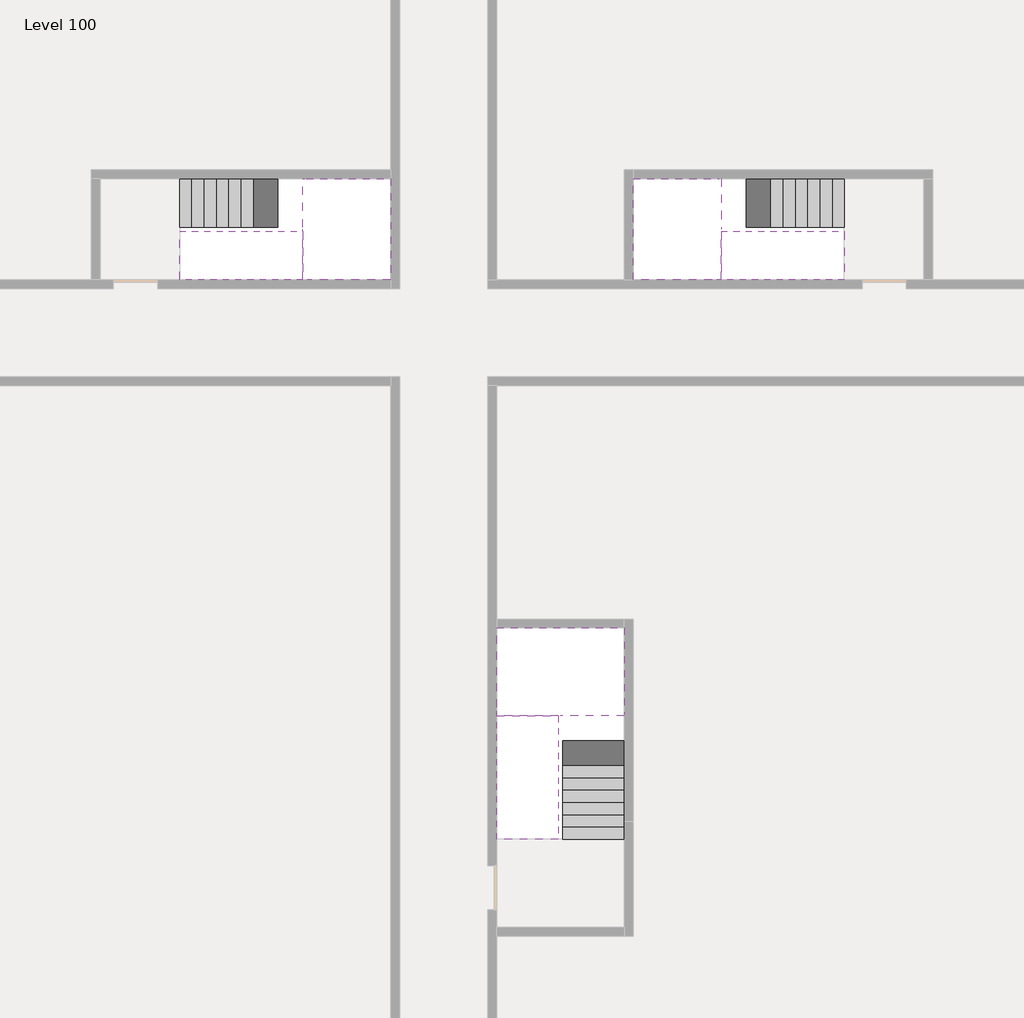
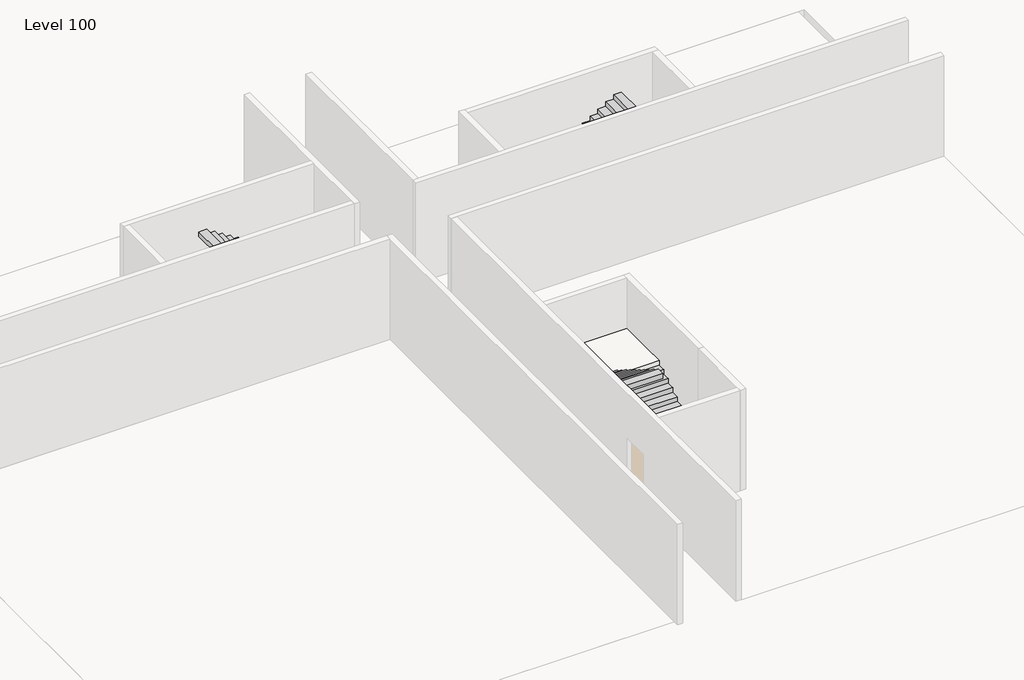
# One storey, part 2 of 2: 6 stair flights, 3 slabs.
"""IFC4 building model written with IfcOpenShell, lengths in millimetres."""

import ifcopenshell
import ifcopenshell.guid

model = None  # the IFC model being written
_history = None  # IfcOwnerHistory: only IFC2X3 demands one
_inside = {}  # id of a spatial element -> (the spatial element, [elements in it])
_under = {}  # id of a project, library or spatial element -> (it, [spatial elements below it])
_declared = {}  # id of a project -> (the project, [libraries it declares])
_typed = {}  # id of a type object -> (the type object, [elements of that type])
_made_of = {}  # id of a material, layer set ... -> (it, [elements and type objects made of it])


def new_model(schema):
    """Start an empty IFC model of exactly this schema.

    Asked for "IFC4X3", IfcOpenShell would pick the latest addendum, in which some entities
    have other attributes; the version numbers below select the first issue.
    IFC2X3 requires an IfcOwnerHistory on every rooted entity: one is made here for all.
    """
    global model, _history
    if schema == "IFC4X3":
        model = ifcopenshell.file(schema_version=(4, 3, 0, 0))
    else:
        model = ifcopenshell.file(schema=schema)
    _inside.clear()
    _under.clear()
    _declared.clear()
    _typed.clear()
    _made_of.clear()
    _history = None
    if model.schema == "IFC2X3":
        org = make("IfcOrganization", Name="unknown")
        user = make(
            "IfcPersonAndOrganization",
            ThePerson=make("IfcPerson", FamilyName="unknown"),
            TheOrganization=org,
        )
        app = make(
            "IfcApplication",
            ApplicationDeveloper=org,
            Version="unknown",
            ApplicationFullName="unknown",
            ApplicationIdentifier="unknown",
        )
        _history = make(
            "IfcOwnerHistory",
            OwningUser=user,
            OwningApplication=app,
            ChangeAction="ADDED",
            CreationDate=0,
        )
    return model


def make(cls, **values):
    """One entity of the class cls with the attributes given. An attribute that is None is left unset."""
    return model.create_entity(
        cls, **{name: value for name, value in values.items() if value is not None}
    )


def rooted(cls, **values):
    """An entity with a GlobalId (a new one), such as an element, a storey or a relation."""
    return make(cls, GlobalId=ifcopenshell.guid.new(), OwnerHistory=_history, **values)


def si_unit(unit_type, name, prefix=None):
    """IfcSIUnit, for example si_unit("LENGTHUNIT", "METRE", prefix="MILLI")."""
    return make("IfcSIUnit", UnitType=unit_type, Prefix=prefix, Name=name)


def assignment(units):
    """IfcUnitAssignment: the units of a project."""
    return None if units is None else make("IfcUnitAssignment", Units=units)


def point(xyz):
    """IfcCartesianPoint."""
    return None if xyz is None else make("IfcCartesianPoint", Coordinates=xyz)


def direction(xyz):
    """IfcDirection."""
    return None if xyz is None else make("IfcDirection", DirectionRatios=xyz)


def frame(location, z_axis=None, x_axis=None):
    """IfcAxis2Placement3D, a coordinate frame: its origin and axes. An axis left out is left unset."""
    return make(
        "IfcAxis2Placement3D",
        Location=point(location),
        Axis=direction(z_axis),
        RefDirection=direction(x_axis),
    )


def origin():
    """The frame at (0, 0, 0) with its axes left unset."""
    return frame((0.0, 0.0, 0.0))


def place(relative_to, where):
    """IfcLocalPlacement: puts the frame where relative to a parent placement (None: the world)."""
    return make(
        "IfcLocalPlacement", PlacementRelTo=relative_to, RelativePlacement=where
    )


def context(
    kind, dimensions, precision=None, world=None, true_north=None, identifier=None
):
    """IfcGeometricRepresentationContext, for example the 3D "Model" context."""
    return make(
        "IfcGeometricRepresentationContext",
        ContextIdentifier=identifier,
        ContextType=kind,
        CoordinateSpaceDimension=dimensions,
        Precision=precision,
        WorldCoordinateSystem=world,
        TrueNorth=true_north,
    )


def project(units=None, contexts=None):
    """IfcProject with its units and contexts."""
    return rooted(
        "IfcProject",
        Name="project",
        RepresentationContexts=contexts,
        UnitsInContext=assignment(units),
    )


def spatial(cls, under=None, at=None, **own):
    """A site, building, storey or space (cls), placed at a placement, below another one or the project."""
    s = rooted(cls, ObjectPlacement=at, **own)
    if under is not None:
        _under.setdefault(under.id(), (under, []))[1].append(s)
    return s


def faces_of(points, faces, orient=None, outer=None):
    """IfcFace entities. A face is a list of loops; a loop is a list of indices into points, from 0.

    orient and outer hold one flag for each loop. By default every Orientation is true, the
    first loop of a face is its IfcFaceOuterBound and the others are IfcFaceBound.
    """
    made = []
    for i, loops in enumerate(faces):
        bounds = []
        for j, loop in enumerate(loops):
            is_outer = j == 0 if outer is None else outer[i][j]
            bounds.append(
                make(
                    "IfcFaceOuterBound" if is_outer else "IfcFaceBound",
                    Bound=make("IfcPolyLoop", Polygon=[points[k] for k in loop]),
                    Orientation=True if orient is None else orient[i][j],
                )
            )
        made.append(make("IfcFace", Bounds=bounds))
    return made


def faceted_brep(points, faces, orient=None, outer=None, voids=None):
    """IfcFacetedBrep: a solid bounded by flat faces; with voids (closed shells), ...WithVoids."""
    shared = [point(p) for p in points]
    hull = make("IfcClosedShell", CfsFaces=faces_of(shared, faces, orient, outer))
    if voids is None:
        return make("IfcFacetedBrep", Outer=hull)
    return make(
        "IfcFacetedBrepWithVoids",
        Outer=hull,
        Voids=[
            make(cls, CfsFaces=faces_of(shared, fs, o, b)) for cls, fs, o, b in voids
        ],
    )


def shape(context_of_items, identifier, shape_type, items):
    """IfcShapeRepresentation: the items that make up one representation, for example the "Body"."""
    return make(
        "IfcShapeRepresentation",
        ContextOfItems=context_of_items,
        RepresentationIdentifier=identifier,
        RepresentationType=shape_type,
        Items=items,
    )


def made_of(thing, what):
    """Note that an element or type object is made of a material, layer set ...; save() writes the relation."""
    if what is not None:
        _made_of.setdefault(what.id(), (what, []))[1].append(thing)
    return thing


def element(
    cls,
    number,
    at=None,
    inside=None,
    cuts=None,
    type_object=None,
    material=None,
    context=None,
    identifier="Body",
    shape_type=None,
    held_by="IfcProductDefinitionShape",
    body=None,
    shapes=None,
    **own,
):
    """One element of the class cls, such as IfcWall. Its Tag is "e" and its number.

    at: its placement. inside: the storey or other place that contains it. cuts: it is an
    opening in that element (IfcRelVoidsElement). A single representation is given by context,
    identifier, shape_type and body (its items); several are given by shapes. held_by: the class
    of the entity that holds the representations. save() writes the other relations.
    """
    e = rooted(cls, Tag="e%d" % number, ObjectPlacement=at, **own)
    if body is not None:
        shapes = [shape(context, identifier, shape_type, body)]
    if shapes is not None:
        e.Representation = make(held_by, Representations=shapes)
    if inside is not None:
        _inside.setdefault(inside.id(), (inside, []))[1].append(e)
    if cuts is not None:
        rooted(
            "IfcRelVoidsElement", RelatingBuildingElement=cuts, RelatedOpeningElement=e
        )
    if type_object is not None:
        _typed.setdefault(type_object.id(), (type_object, []))[1].append(e)
    return made_of(e, material)


def aggregate(whole, parts):
    """IfcRelAggregates: a whole, such as a stair, and the parts it consists of."""
    return rooted("IfcRelAggregates", RelatingObject=whole, RelatedObjects=parts)


def save(model, path):
    """Write the relations noted so far, then the file.

    IfcRelAggregates (storeys below a building ...), IfcRelContainedInSpatialStructure (elements
    in a storey), IfcRelDefinesByType, IfcRelAssociatesMaterial and IfcRelDeclares: one each for
    every whole, place, type object, material and project.
    """
    for whole, parts in _under.values():
        aggregate(whole, parts)
    for where, things in _inside.values():
        rooted(
            "IfcRelContainedInSpatialStructure",
            RelatedElements=things,
            RelatingStructure=where,
        )
    for kind, things in _typed.values():
        rooted("IfcRelDefinesByType", RelatedObjects=things, RelatingType=kind)
    for what, things in _made_of.values():
        rooted("IfcRelAssociatesMaterial", RelatedObjects=things, RelatingMaterial=what)
    for by, libraries in _declared.values():
        rooted("IfcRelDeclares", RelatingContext=by, RelatedDefinitions=libraries)
    model.write(path)


model = new_model("IFC4")

# Units and contexts
model_context = context("Model", 3, world=origin())
ifc_project = project(units=[si_unit("LENGTHUNIT", "METRE", prefix="MILLI")], contexts=[model_context])

# Site, building, storey
site = spatial("IfcSite", under=ifc_project)
building = spatial("IfcBuilding", under=site)
storey = spatial("IfcBuildingStorey", under=building, Name="Level 100", Elevation=376200.0)

# Slabs
placement = place(None, origin())
element("IfcSlab", 1, at=placement, inside=storey, context=model_context, shape_type="Brep", body=[
    faceted_brep([(26890.1058784, -40418.09644, 378100.0), (28290.1058784, -40418.09644, 378100.0), (28290.1058784, -40338.7100038, 378100.0), (28290.1058784, -38418.09644, 378100.0), (25390.1058784, -38418.09644, 378100.0), (25390.1058784, -40217.4828763, 378100.0), (25390.1058784, -40418.09644, 378100.0), (26790.1058784, -40418.09644, 378100.0), (26890.1058784, -40418.09644, 377800.0), (26890.1058784, -40418.09644, 377751.0278478), (28290.1058784, -40418.09644, 377751.0278478), (28290.1058784, -40418.09644, 377927.2727273), (28290.1058784, -40338.7100038, 377800.0), (28290.1058784, -38418.09644, 377800.0), (25390.1058784, -38418.09644, 377800.0), (25390.1058784, -40217.4828763, 377800.0), (25390.1058784, -40418.09644, 377923.7551205), (26790.1058784, -40418.09644, 377923.7551205), (26790.1058784, -40418.09644, 377800.0), (26790.1058784, -40217.4828763, 377800.0), (26890.1058784, -40338.7100038, 377800.0)], [[[0, 1, 2, 3, 4, 5, 6, 7]], [[1, 0, 8, 9, 10, 11]], [[1, 11, 10, 12, 13, 3, 2]], [[4, 3, 13, 14]], [[4, 14, 15, 16, 6, 5]], [[7, 6, 16, 17]], [[0, 7, 17, 18, 8]], [[18, 19, 15, 14, 13, 12, 20, 8]], [[19, 18, 17]], [[20, 12, 10, 9]], [[8, 20, 9]], [[15, 19, 17, 16]]]),
])
element("IfcSlab", 2, at=placement, inside=storey, context=model_context, shape_type="Brep", body=[
    faceted_brep([(20990.1058784, -28218.09644, 378100.0), (20990.1058784, -29318.09644, 378100.0), (20990.1058784, -29418.09644, 378100.0), (20990.1058784, -30518.09644, 378100.0), (21190.7194421, -30518.09644, 378100.0), (22990.1058784, -30518.09644, 378100.0), (22990.1058784, -28218.09644, 378100.0), (21069.4923146, -28218.09644, 378100.0), (20990.1058784, -28218.09644, 377927.2727273), (20990.1058784, -28218.09644, 377751.0278478), (20990.1058784, -29318.09644, 377751.0278478), (20990.1058784, -29318.09644, 377800.0), (20990.1058784, -29418.09644, 377800.0), (20990.1058784, -29418.09644, 377923.7551205), (20990.1058784, -30518.09644, 377923.7551205), (21190.7194421, -30518.09644, 377800.0), (22990.1058784, -30518.09644, 377800.0), (22990.1058784, -28218.09644, 377800.0), (21069.4923146, -28218.09644, 377800.0), (21190.7194421, -29418.09644, 377800.0), (21069.4923146, -29318.09644, 377800.0)], [[[0, 1, 2, 3, 4, 5, 6, 7]], [[1, 0, 8, 9, 10, 11]], [[2, 1, 11, 12, 13]], [[3, 2, 13, 14]], [[3, 14, 15, 16, 5, 4]], [[6, 5, 16, 17]], [[9, 8, 0, 7, 6, 17, 18]], [[19, 12, 11, 20, 18, 17, 16, 15]], [[12, 19, 13]], [[18, 20, 10, 9]], [[20, 11, 10]], [[19, 15, 14, 13]]]),
])
element("IfcSlab", 3, at=placement, inside=storey, context=model_context, shape_type="Brep", body=[
    faceted_brep([(30490.1058784, -29318.09644, 378100.0), (30490.1058784, -28218.09644, 378100.0), (30410.7194421, -28218.09644, 378100.0), (28490.1058784, -28218.09644, 378100.0), (28490.1058784, -30518.09644, 378100.0), (30289.4923146, -30518.09644, 378100.0), (30490.1058784, -30518.09644, 378100.0), (30490.1058784, -29418.09644, 378100.0), (30490.1058784, -29318.09644, 377800.0), (30490.1058784, -29318.09644, 377751.0278478), (30490.1058784, -28218.09644, 377751.0278478), (30490.1058784, -28218.09644, 377927.2727273), (30490.1058784, -29418.09644, 377923.7551205), (30490.1058784, -29418.09644, 377800.0), (30490.1058784, -30518.09644, 377923.7551205), (28490.1058784, -30518.09644, 377800.0), (30289.4923146, -30518.09644, 377800.0), (28490.1058784, -28218.09644, 377800.0), (30410.7194421, -28218.09644, 377800.0), (30289.4923146, -29418.09644, 377800.0), (30410.7194421, -29318.09644, 377800.0)], [[[0, 1, 2, 3, 4, 5, 6, 7]], [[1, 0, 8, 9, 10, 11]], [[0, 7, 12, 13, 8]], [[7, 6, 14, 12]], [[4, 15, 16, 14, 6, 5]], [[4, 3, 17, 15]], [[1, 11, 10, 18, 17, 3, 2]], [[13, 19, 16, 15, 17, 18, 20, 8]], [[20, 18, 10, 9]], [[8, 20, 9]], [[16, 19, 12, 14]], [[19, 13, 12]]]),
])

# Stair flights
element("IfcStairFlight", 4, at=placement, inside=storey, context=model_context, shape_type="Brep", body=[
    faceted_brep([(26890.1058784, -42938.09644, 376372.7272727), (26890.1058784, -43218.09644, 376372.7272727), (28290.1058784, -43218.09644, 376372.7272727), (28290.1058784, -42938.09644, 376372.7272727), (26890.1058784, -42938.09644, 376200.0), (26890.1058784, -43218.09644, 376200.0), (28290.1058784, -43218.09644, 376200.0), (28290.1058784, -42938.09644, 376200.0), (26890.1058784, -42658.09644, 376545.4545455), (26890.1058784, -42938.09644, 376545.4545455), (28290.1058784, -42938.09644, 376545.4545455), (28290.1058784, -42658.09644, 376545.4545455), (26890.1058784, -42658.09644, 376369.209666), (26890.1058784, -42932.3942143, 376200.0), (28290.1058784, -42932.3942143, 376200.0), (28290.1058784, -42658.09644, 376369.209666), (26890.1058784, -42378.09644, 376718.1818182), (26890.1058784, -42658.09644, 376718.1818182), (28290.1058784, -42658.09644, 376718.1818182), (28290.1058784, -42378.09644, 376718.1818182), (26890.1058784, -42378.09644, 376541.9369387), (28290.1058784, -42378.09644, 376541.9369387), (26890.1058784, -42098.09644, 376890.9090909), (26890.1058784, -42378.09644, 376890.9090909), (28290.1058784, -42378.09644, 376890.9090909), (28290.1058784, -42098.09644, 376890.9090909), (26890.1058784, -42098.09644, 376714.6642114), (28290.1058784, -42098.09644, 376714.6642114), (26890.1058784, -41818.09644, 377063.6363636), (26890.1058784, -42098.09644, 377063.6363636), (28290.1058784, -42098.09644, 377063.6363636), (28290.1058784, -41818.09644, 377063.6363636), (26890.1058784, -41818.09644, 376887.3914841), (28290.1058784, -41818.09644, 376887.3914841), (26890.1058784, -41538.09644, 377236.3636364), (26890.1058784, -41818.09644, 377236.3636364), (28290.1058784, -41818.09644, 377236.3636364), (28290.1058784, -41538.09644, 377236.3636364), (26890.1058784, -41538.09644, 377060.1187569), (28290.1058784, -41538.09644, 377060.1187569), (26890.1058784, -41258.09644, 377409.0909091), (26890.1058784, -41538.09644, 377409.0909091), (28290.1058784, -41538.09644, 377409.0909091), (28290.1058784, -41258.09644, 377409.0909091), (26890.1058784, -41258.09644, 377232.8460296), (28290.1058784, -41258.09644, 377232.8460296), (26890.1058784, -40978.09644, 377581.8181818), (26890.1058784, -41258.09644, 377581.8181818), (28290.1058784, -41258.09644, 377581.8181818), (28290.1058784, -40978.09644, 377581.8181818), (26890.1058784, -40978.09644, 377405.5733023), (28290.1058784, -40978.09644, 377405.5733023), (26890.1058784, -40698.09644, 377754.5454545), (26890.1058784, -40978.09644, 377754.5454545), (28290.1058784, -40978.09644, 377754.5454545), (28290.1058784, -40698.09644, 377754.5454545), (26890.1058784, -40698.09644, 377578.3005751), (28290.1058784, -40698.09644, 377578.3005751), (26890.1058784, -40418.09644, 377927.2727273), (26890.1058784, -40698.09644, 377927.2727273), (28290.1058784, -40698.09644, 377927.2727273), (28290.1058784, -40418.09644, 377927.2727273), (26890.1058784, -40418.09644, 377800.0), (26890.1058784, -40418.09644, 377751.0278478), (28290.1058784, -40418.09644, 377751.0278478)], [[[0, 1, 2, 3]], [[1, 0, 4, 5]], [[2, 1, 5, 6]], [[3, 2, 6, 7]], [[8, 9, 10, 11]], [[4, 0, 9, 8, 12, 13]], [[0, 3, 10, 9]], [[3, 7, 14, 15, 11, 10]], [[16, 17, 18, 19]], [[17, 16, 20, 12, 8]], [[8, 11, 18, 17]], [[19, 18, 11, 15, 21]], [[22, 23, 24, 25]], [[23, 22, 26, 20, 16]], [[16, 19, 24, 23]], [[25, 24, 19, 21, 27]], [[28, 29, 30, 31]], [[29, 28, 32, 26, 22]], [[22, 25, 30, 29]], [[31, 30, 25, 27, 33]], [[34, 35, 36, 37]], [[35, 34, 38, 32, 28]], [[28, 31, 36, 35]], [[37, 36, 31, 33, 39]], [[40, 41, 42, 43]], [[41, 40, 44, 38, 34]], [[34, 37, 42, 41]], [[43, 42, 37, 39, 45]], [[46, 47, 48, 49]], [[47, 46, 50, 44, 40]], [[40, 43, 48, 47]], [[49, 48, 43, 45, 51]], [[52, 53, 54, 55]], [[53, 52, 56, 50, 46]], [[46, 49, 54, 53]], [[55, 54, 49, 51, 57]], [[58, 59, 60, 61]], [[59, 58, 62, 63, 56, 52]], [[52, 55, 60, 59]], [[61, 60, 55, 57, 64]], [[58, 61, 64, 63, 62]], [[5, 4, 13, 14, 7, 6]], [[14, 13, 12, 20, 26, 32, 38, 44, 50, 56, 63, 64, 57, 51, 45, 39, 33, 27, 21, 15]]]),
])
element("IfcStairFlight", 5, at=placement, inside=storey, context=model_context, shape_type="Brep", body=[
    faceted_brep([(26790.1058784, -40698.09644, 378272.7272727), (26790.1058784, -40418.09644, 378272.7272727), (25390.1058784, -40418.09644, 378272.7272727), (25390.1058784, -40698.09644, 378272.7272727), (26790.1058784, -40698.09644, 378096.4823932), (26790.1058784, -40418.09644, 377923.7551205), (25390.1058784, -40418.09644, 377923.7551205), (25390.1058784, -40418.09644, 378100.0), (25390.1058784, -40698.09644, 378096.4823932), (26790.1058784, -40978.09644, 378445.4545455), (26790.1058784, -40698.09644, 378445.4545455), (25390.1058784, -40698.09644, 378445.4545455), (25390.1058784, -40978.09644, 378445.4545455), (26790.1058784, -40978.09644, 378269.209666), (25390.1058784, -40978.09644, 378269.209666), (26790.1058784, -41258.09644, 378618.1818182), (26790.1058784, -40978.09644, 378618.1818182), (25390.1058784, -40978.09644, 378618.1818182), (25390.1058784, -41258.09644, 378618.1818182), (26790.1058784, -41258.09644, 378441.9369387), (25390.1058784, -41258.09644, 378441.9369387), (26790.1058784, -41538.09644, 378790.9090909), (26790.1058784, -41258.09644, 378790.9090909), (25390.1058784, -41258.09644, 378790.9090909), (25390.1058784, -41538.09644, 378790.9090909), (26790.1058784, -41538.09644, 378614.6642114), (25390.1058784, -41538.09644, 378614.6642114), (26790.1058784, -41818.09644, 378963.6363636), (26790.1058784, -41538.09644, 378963.6363636), (25390.1058784, -41538.09644, 378963.6363636), (25390.1058784, -41818.09644, 378963.6363636), (26790.1058784, -41818.09644, 378787.3914841), (25390.1058784, -41818.09644, 378787.3914841), (26790.1058784, -42098.09644, 379136.3636364), (26790.1058784, -41818.09644, 379136.3636364), (25390.1058784, -41818.09644, 379136.3636364), (25390.1058784, -42098.09644, 379136.3636364), (26790.1058784, -42098.09644, 378960.1187569), (25390.1058784, -42098.09644, 378960.1187569), (26790.1058784, -42378.09644, 379309.0909091), (26790.1058784, -42098.09644, 379309.0909091), (25390.1058784, -42098.09644, 379309.0909091), (25390.1058784, -42378.09644, 379309.0909091), (26790.1058784, -42378.09644, 379132.8460296), (25390.1058784, -42378.09644, 379132.8460296), (26790.1058784, -42658.09644, 379481.8181818), (26790.1058784, -42378.09644, 379481.8181818), (25390.1058784, -42378.09644, 379481.8181818), (25390.1058784, -42658.09644, 379481.8181818), (26790.1058784, -42658.09644, 379305.5733023), (25390.1058784, -42658.09644, 379305.5733023), (26790.1058784, -42938.09644, 379654.5454545), (26790.1058784, -42658.09644, 379654.5454545), (25390.1058784, -42658.09644, 379654.5454545), (25390.1058784, -42938.09644, 379654.5454545), (26790.1058784, -42938.09644, 379478.3005751), (25390.1058784, -42938.09644, 379478.3005751), (26790.1058784, -43218.09644, 379827.2727273), (26790.1058784, -42938.09644, 379827.2727273), (25390.1058784, -42938.09644, 379827.2727273), (25390.1058784, -43218.09644, 379827.2727273), (26790.1058784, -43218.09644, 379651.0278478), (25390.1058784, -43218.09644, 379651.0278478)], [[[0, 1, 2, 3]], [[1, 0, 4, 5]], [[2, 1, 5, 6, 7]], [[3, 2, 7, 6, 8]], [[9, 10, 11, 12]], [[10, 9, 13, 4, 0]], [[11, 10, 0, 3]], [[12, 11, 3, 8, 14]], [[15, 16, 17, 18]], [[16, 15, 19, 13, 9]], [[17, 16, 9, 12]], [[18, 17, 12, 14, 20]], [[21, 22, 23, 24]], [[22, 21, 25, 19, 15]], [[23, 22, 15, 18]], [[24, 23, 18, 20, 26]], [[27, 28, 29, 30]], [[28, 27, 31, 25, 21]], [[29, 28, 21, 24]], [[30, 29, 24, 26, 32]], [[33, 34, 35, 36]], [[34, 33, 37, 31, 27]], [[35, 34, 27, 30]], [[36, 35, 30, 32, 38]], [[39, 40, 41, 42]], [[40, 39, 43, 37, 33]], [[41, 40, 33, 36]], [[42, 41, 36, 38, 44]], [[45, 46, 47, 48]], [[46, 45, 49, 43, 39]], [[47, 46, 39, 42]], [[48, 47, 42, 44, 50]], [[51, 52, 53, 54]], [[52, 51, 55, 49, 45]], [[53, 52, 45, 48]], [[54, 53, 48, 50, 56]], [[57, 58, 59, 60]], [[58, 57, 61, 55, 51]], [[59, 58, 51, 54]], [[60, 59, 54, 56, 62]], [[57, 60, 62, 61]], [[5, 4, 13, 19, 25, 31, 37, 43, 49, 55, 61, 62, 56, 50, 44, 38, 32, 26, 20, 14, 8, 6]]]),
])
element("IfcStairFlight", 6, at=placement, inside=storey, context=model_context, shape_type="Brep", body=[
    faceted_brep([(18470.1058784, -28218.09644, 376372.7272727), (18190.1058784, -28218.09644, 376372.7272727), (18190.1058784, -29318.09644, 376372.7272727), (18470.1058784, -29318.09644, 376372.7272727), (18470.1058784, -28218.09644, 376200.0), (18190.1058784, -28218.09644, 376200.0), (18190.1058784, -29318.09644, 376200.0), (18470.1058784, -29318.09644, 376200.0), (18750.1058784, -28218.09644, 376545.4545455), (18470.1058784, -28218.09644, 376545.4545455), (18470.1058784, -29318.09644, 376545.4545455), (18750.1058784, -29318.09644, 376545.4545455), (18750.1058784, -28218.09644, 376369.209666), (18475.8081041, -28218.09644, 376200.0), (18475.8081041, -29318.09644, 376200.0), (18750.1058784, -29318.09644, 376369.209666), (19030.1058784, -28218.09644, 376718.1818182), (18750.1058784, -28218.09644, 376718.1818182), (18750.1058784, -29318.09644, 376718.1818182), (19030.1058784, -29318.09644, 376718.1818182), (19030.1058784, -28218.09644, 376541.9369387), (19030.1058784, -29318.09644, 376541.9369387), (19310.1058784, -28218.09644, 376890.9090909), (19030.1058784, -28218.09644, 376890.9090909), (19030.1058784, -29318.09644, 376890.9090909), (19310.1058784, -29318.09644, 376890.9090909), (19310.1058784, -28218.09644, 376714.6642114), (19310.1058784, -29318.09644, 376714.6642114), (19590.1058784, -28218.09644, 377063.6363636), (19310.1058784, -28218.09644, 377063.6363636), (19310.1058784, -29318.09644, 377063.6363636), (19590.1058784, -29318.09644, 377063.6363636), (19590.1058784, -28218.09644, 376887.3914841), (19590.1058784, -29318.09644, 376887.3914841), (19870.1058784, -28218.09644, 377236.3636364), (19590.1058784, -28218.09644, 377236.3636364), (19590.1058784, -29318.09644, 377236.3636364), (19870.1058784, -29318.09644, 377236.3636364), (19870.1058784, -28218.09644, 377060.1187569), (19870.1058784, -29318.09644, 377060.1187569), (20150.1058784, -28218.09644, 377409.0909091), (19870.1058784, -28218.09644, 377409.0909091), (19870.1058784, -29318.09644, 377409.0909091), (20150.1058784, -29318.09644, 377409.0909091), (20150.1058784, -28218.09644, 377232.8460296), (20150.1058784, -29318.09644, 377232.8460296), (20430.1058784, -28218.09644, 377581.8181818), (20150.1058784, -28218.09644, 377581.8181818), (20150.1058784, -29318.09644, 377581.8181818), (20430.1058784, -29318.09644, 377581.8181818), (20430.1058784, -28218.09644, 377405.5733023), (20430.1058784, -29318.09644, 377405.5733023), (20710.1058784, -28218.09644, 377754.5454545), (20430.1058784, -28218.09644, 377754.5454545), (20430.1058784, -29318.09644, 377754.5454545), (20710.1058784, -29318.09644, 377754.5454545), (20710.1058784, -28218.09644, 377578.3005751), (20710.1058784, -29318.09644, 377578.3005751), (20990.1058784, -28218.09644, 377927.2727273), (20710.1058784, -28218.09644, 377927.2727273), (20710.1058784, -29318.09644, 377927.2727273), (20990.1058784, -29318.09644, 377927.2727273), (20990.1058784, -28218.09644, 377751.0278478), (20990.1058784, -29318.09644, 377751.0278478), (20990.1058784, -29318.09644, 377800.0)], [[[0, 1, 2, 3]], [[1, 0, 4, 5]], [[2, 1, 5, 6]], [[3, 2, 6, 7]], [[8, 9, 10, 11]], [[4, 0, 9, 8, 12, 13]], [[0, 3, 10, 9]], [[3, 7, 14, 15, 11, 10]], [[16, 17, 18, 19]], [[17, 16, 20, 12, 8]], [[8, 11, 18, 17]], [[19, 18, 11, 15, 21]], [[22, 23, 24, 25]], [[23, 22, 26, 20, 16]], [[16, 19, 24, 23]], [[25, 24, 19, 21, 27]], [[28, 29, 30, 31]], [[29, 28, 32, 26, 22]], [[22, 25, 30, 29]], [[31, 30, 25, 27, 33]], [[34, 35, 36, 37]], [[35, 34, 38, 32, 28]], [[28, 31, 36, 35]], [[37, 36, 31, 33, 39]], [[40, 41, 42, 43]], [[41, 40, 44, 38, 34]], [[34, 37, 42, 41]], [[43, 42, 37, 39, 45]], [[46, 47, 48, 49]], [[47, 46, 50, 44, 40]], [[40, 43, 48, 47]], [[49, 48, 43, 45, 51]], [[52, 53, 54, 55]], [[53, 52, 56, 50, 46]], [[46, 49, 54, 53]], [[55, 54, 49, 51, 57]], [[58, 59, 60, 61]], [[59, 58, 62, 56, 52]], [[52, 55, 60, 59]], [[61, 60, 55, 57, 63, 64]], [[58, 61, 64, 63, 62]], [[5, 4, 13, 14, 7, 6]], [[14, 13, 12, 20, 26, 32, 38, 44, 50, 56, 62, 63, 57, 51, 45, 39, 33, 27, 21, 15]]]),
])
element("IfcStairFlight", 7, at=placement, inside=storey, context=model_context, shape_type="Brep", body=[
    faceted_brep([(20710.1058784, -30518.09644, 378272.7272727), (20990.1058784, -30518.09644, 378272.7272727), (20990.1058784, -29418.09644, 378272.7272727), (20710.1058784, -29418.09644, 378272.7272727), (20710.1058784, -30518.09644, 378096.4823932), (20990.1058784, -30518.09644, 377923.7551205), (20990.1058784, -30518.09644, 378100.0), (20990.1058784, -29418.09644, 377923.7551205), (20710.1058784, -29418.09644, 378096.4823932), (20430.1058784, -30518.09644, 378445.4545455), (20710.1058784, -30518.09644, 378445.4545455), (20710.1058784, -29418.09644, 378445.4545455), (20430.1058784, -29418.09644, 378445.4545455), (20430.1058784, -30518.09644, 378269.209666), (20430.1058784, -29418.09644, 378269.209666), (20150.1058784, -30518.09644, 378618.1818182), (20430.1058784, -30518.09644, 378618.1818182), (20430.1058784, -29418.09644, 378618.1818182), (20150.1058784, -29418.09644, 378618.1818182), (20150.1058784, -30518.09644, 378441.9369387), (20150.1058784, -29418.09644, 378441.9369387), (19870.1058784, -30518.09644, 378790.9090909), (20150.1058784, -30518.09644, 378790.9090909), (20150.1058784, -29418.09644, 378790.9090909), (19870.1058784, -29418.09644, 378790.9090909), (19870.1058784, -30518.09644, 378614.6642114), (19870.1058784, -29418.09644, 378614.6642114), (19590.1058784, -30518.09644, 378963.6363636), (19870.1058784, -30518.09644, 378963.6363636), (19870.1058784, -29418.09644, 378963.6363636), (19590.1058784, -29418.09644, 378963.6363636), (19590.1058784, -30518.09644, 378787.3914841), (19590.1058784, -29418.09644, 378787.3914841), (19310.1058784, -30518.09644, 379136.3636364), (19590.1058784, -30518.09644, 379136.3636364), (19590.1058784, -29418.09644, 379136.3636364), (19310.1058784, -29418.09644, 379136.3636364), (19310.1058784, -30518.09644, 378960.1187569), (19310.1058784, -29418.09644, 378960.1187569), (19030.1058784, -30518.09644, 379309.0909091), (19310.1058784, -30518.09644, 379309.0909091), (19310.1058784, -29418.09644, 379309.0909091), (19030.1058784, -29418.09644, 379309.0909091), (19030.1058784, -30518.09644, 379132.8460296), (19030.1058784, -29418.09644, 379132.8460296), (18750.1058784, -30518.09644, 379481.8181818), (19030.1058784, -30518.09644, 379481.8181818), (19030.1058784, -29418.09644, 379481.8181818), (18750.1058784, -29418.09644, 379481.8181818), (18750.1058784, -30518.09644, 379305.5733023), (18750.1058784, -29418.09644, 379305.5733023), (18470.1058784, -30518.09644, 379654.5454545), (18750.1058784, -30518.09644, 379654.5454545), (18750.1058784, -29418.09644, 379654.5454545), (18470.1058784, -29418.09644, 379654.5454545), (18470.1058784, -30518.09644, 379478.3005751), (18470.1058784, -29418.09644, 379478.3005751), (18190.1058784, -30518.09644, 379827.2727273), (18470.1058784, -30518.09644, 379827.2727273), (18470.1058784, -29418.09644, 379827.2727273), (18190.1058784, -29418.09644, 379827.2727273), (18190.1058784, -30518.09644, 379651.0278478), (18190.1058784, -29418.09644, 379651.0278478)], [[[0, 1, 2, 3]], [[1, 0, 4, 5, 6]], [[2, 1, 6, 5, 7]], [[3, 2, 7, 8]], [[9, 10, 11, 12]], [[10, 9, 13, 4, 0]], [[11, 10, 0, 3]], [[12, 11, 3, 8, 14]], [[15, 16, 17, 18]], [[16, 15, 19, 13, 9]], [[17, 16, 9, 12]], [[18, 17, 12, 14, 20]], [[21, 22, 23, 24]], [[22, 21, 25, 19, 15]], [[23, 22, 15, 18]], [[24, 23, 18, 20, 26]], [[27, 28, 29, 30]], [[28, 27, 31, 25, 21]], [[29, 28, 21, 24]], [[30, 29, 24, 26, 32]], [[33, 34, 35, 36]], [[34, 33, 37, 31, 27]], [[35, 34, 27, 30]], [[36, 35, 30, 32, 38]], [[39, 40, 41, 42]], [[40, 39, 43, 37, 33]], [[41, 40, 33, 36]], [[42, 41, 36, 38, 44]], [[45, 46, 47, 48]], [[46, 45, 49, 43, 39]], [[47, 46, 39, 42]], [[48, 47, 42, 44, 50]], [[51, 52, 53, 54]], [[52, 51, 55, 49, 45]], [[53, 52, 45, 48]], [[54, 53, 48, 50, 56]], [[57, 58, 59, 60]], [[58, 57, 61, 55, 51]], [[59, 58, 51, 54]], [[60, 59, 54, 56, 62]], [[57, 60, 62, 61]], [[5, 4, 13, 19, 25, 31, 37, 43, 49, 55, 61, 62, 56, 50, 44, 38, 32, 26, 20, 14, 8, 7]]]),
])
element("IfcStairFlight", 8, at=placement, inside=storey, context=model_context, shape_type="Brep", body=[
    faceted_brep([(33010.1058784, -29318.09644, 376372.7272727), (33290.1058784, -29318.09644, 376372.7272727), (33290.1058784, -28218.09644, 376372.7272727), (33010.1058784, -28218.09644, 376372.7272727), (33290.1058784, -28218.09644, 376200.0), (33010.1058784, -28218.09644, 376200.0), (33290.1058784, -29318.09644, 376200.0), (33010.1058784, -29318.09644, 376200.0), (32730.1058784, -29318.09644, 376545.4545455), (33010.1058784, -29318.09644, 376545.4545455), (33010.1058784, -28218.09644, 376545.4545455), (32730.1058784, -28218.09644, 376545.4545455), (33004.4036527, -28218.09644, 376200.0), (32730.1058784, -28218.09644, 376369.209666), (32730.1058784, -29318.09644, 376369.209666), (33004.4036527, -29318.09644, 376200.0), (32450.1058784, -29318.09644, 376718.1818182), (32730.1058784, -29318.09644, 376718.1818182), (32730.1058784, -28218.09644, 376718.1818182), (32450.1058784, -28218.09644, 376718.1818182), (32450.1058784, -28218.09644, 376541.9369387), (32450.1058784, -29318.09644, 376541.9369387), (32170.1058784, -29318.09644, 376890.9090909), (32450.1058784, -29318.09644, 376890.9090909), (32450.1058784, -28218.09644, 376890.9090909), (32170.1058784, -28218.09644, 376890.9090909), (32170.1058784, -28218.09644, 376714.6642114), (32170.1058784, -29318.09644, 376714.6642114), (31890.1058784, -29318.09644, 377063.6363636), (32170.1058784, -29318.09644, 377063.6363636), (32170.1058784, -28218.09644, 377063.6363636), (31890.1058784, -28218.09644, 377063.6363636), (31890.1058784, -28218.09644, 376887.3914841), (31890.1058784, -29318.09644, 376887.3914841), (31610.1058784, -29318.09644, 377236.3636364), (31890.1058784, -29318.09644, 377236.3636364), (31890.1058784, -28218.09644, 377236.3636364), (31610.1058784, -28218.09644, 377236.3636364), (31610.1058784, -28218.09644, 377060.1187569), (31610.1058784, -29318.09644, 377060.1187569), (31330.1058784, -29318.09644, 377409.0909091), (31610.1058784, -29318.09644, 377409.0909091), (31610.1058784, -28218.09644, 377409.0909091), (31330.1058784, -28218.09644, 377409.0909091), (31330.1058784, -28218.09644, 377232.8460296), (31330.1058784, -29318.09644, 377232.8460296), (31050.1058784, -29318.09644, 377581.8181818), (31330.1058784, -29318.09644, 377581.8181818), (31330.1058784, -28218.09644, 377581.8181818), (31050.1058784, -28218.09644, 377581.8181818), (31050.1058784, -28218.09644, 377405.5733023), (31050.1058784, -29318.09644, 377405.5733023), (30770.1058784, -29318.09644, 377754.5454545), (31050.1058784, -29318.09644, 377754.5454545), (31050.1058784, -28218.09644, 377754.5454545), (30770.1058784, -28218.09644, 377754.5454545), (30770.1058784, -28218.09644, 377578.3005751), (30770.1058784, -29318.09644, 377578.3005751), (30490.1058784, -29318.09644, 377927.2727273), (30770.1058784, -29318.09644, 377927.2727273), (30770.1058784, -28218.09644, 377927.2727273), (30490.1058784, -28218.09644, 377927.2727273), (30490.1058784, -28218.09644, 377751.0278478), (30490.1058784, -29318.09644, 377800.0), (30490.1058784, -29318.09644, 377751.0278478)], [[[0, 1, 2, 3]], [[3, 2, 4, 5]], [[2, 1, 6, 4]], [[1, 0, 7, 6]], [[8, 9, 10, 11]], [[3, 5, 12, 13, 11, 10]], [[0, 3, 10, 9]], [[7, 0, 9, 8, 14, 15]], [[16, 17, 18, 19]], [[19, 18, 11, 13, 20]], [[8, 11, 18, 17]], [[17, 16, 21, 14, 8]], [[22, 23, 24, 25]], [[25, 24, 19, 20, 26]], [[16, 19, 24, 23]], [[23, 22, 27, 21, 16]], [[28, 29, 30, 31]], [[31, 30, 25, 26, 32]], [[22, 25, 30, 29]], [[29, 28, 33, 27, 22]], [[34, 35, 36, 37]], [[37, 36, 31, 32, 38]], [[28, 31, 36, 35]], [[35, 34, 39, 33, 28]], [[40, 41, 42, 43]], [[43, 42, 37, 38, 44]], [[34, 37, 42, 41]], [[41, 40, 45, 39, 34]], [[46, 47, 48, 49]], [[49, 48, 43, 44, 50]], [[40, 43, 48, 47]], [[47, 46, 51, 45, 40]], [[52, 53, 54, 55]], [[55, 54, 49, 50, 56]], [[46, 49, 54, 53]], [[53, 52, 57, 51, 46]], [[58, 59, 60, 61]], [[61, 60, 55, 56, 62]], [[52, 55, 60, 59]], [[59, 58, 63, 64, 57, 52]], [[58, 61, 62, 64, 63]], [[6, 7, 15, 12, 5, 4]], [[12, 15, 14, 21, 27, 33, 39, 45, 51, 57, 64, 62, 56, 50, 44, 38, 32, 26, 20, 13]]]),
])
element("IfcStairFlight", 9, at=placement, inside=storey, context=model_context, shape_type="Brep", body=[
    faceted_brep([(30770.1058784, -29418.09644, 378272.7272727), (30490.1058784, -29418.09644, 378272.7272727), (30490.1058784, -30518.09644, 378272.7272727), (30770.1058784, -30518.09644, 378272.7272727), (30490.1058784, -30518.09644, 378100.0), (30490.1058784, -30518.09644, 377923.7551205), (30770.1058784, -30518.09644, 378096.4823932), (30490.1058784, -29418.09644, 377923.7551205), (30770.1058784, -29418.09644, 378096.4823932), (31050.1058784, -29418.09644, 378445.4545455), (30770.1058784, -29418.09644, 378445.4545455), (30770.1058784, -30518.09644, 378445.4545455), (31050.1058784, -30518.09644, 378445.4545455), (31050.1058784, -30518.09644, 378269.209666), (31050.1058784, -29418.09644, 378269.209666), (31330.1058784, -29418.09644, 378618.1818182), (31050.1058784, -29418.09644, 378618.1818182), (31050.1058784, -30518.09644, 378618.1818182), (31330.1058784, -30518.09644, 378618.1818182), (31330.1058784, -30518.09644, 378441.9369387), (31330.1058784, -29418.09644, 378441.9369387), (31610.1058784, -29418.09644, 378790.9090909), (31330.1058784, -29418.09644, 378790.9090909), (31330.1058784, -30518.09644, 378790.9090909), (31610.1058784, -30518.09644, 378790.9090909), (31610.1058784, -30518.09644, 378614.6642114), (31610.1058784, -29418.09644, 378614.6642114), (31890.1058784, -29418.09644, 378963.6363636), (31610.1058784, -29418.09644, 378963.6363636), (31610.1058784, -30518.09644, 378963.6363636), (31890.1058784, -30518.09644, 378963.6363636), (31890.1058784, -30518.09644, 378787.3914841), (31890.1058784, -29418.09644, 378787.3914841), (32170.1058784, -29418.09644, 379136.3636364), (31890.1058784, -29418.09644, 379136.3636364), (31890.1058784, -30518.09644, 379136.3636364), (32170.1058784, -30518.09644, 379136.3636364), (32170.1058784, -30518.09644, 378960.1187569), (32170.1058784, -29418.09644, 378960.1187569), (32450.1058784, -29418.09644, 379309.0909091), (32170.1058784, -29418.09644, 379309.0909091), (32170.1058784, -30518.09644, 379309.0909091), (32450.1058784, -30518.09644, 379309.0909091), (32450.1058784, -30518.09644, 379132.8460296), (32450.1058784, -29418.09644, 379132.8460296), (32730.1058784, -29418.09644, 379481.8181818), (32450.1058784, -29418.09644, 379481.8181818), (32450.1058784, -30518.09644, 379481.8181818), (32730.1058784, -30518.09644, 379481.8181818), (32730.1058784, -30518.09644, 379305.5733023), (32730.1058784, -29418.09644, 379305.5733023), (33010.1058784, -29418.09644, 379654.5454545), (32730.1058784, -29418.09644, 379654.5454545), (32730.1058784, -30518.09644, 379654.5454545), (33010.1058784, -30518.09644, 379654.5454545), (33010.1058784, -30518.09644, 379478.3005751), (33010.1058784, -29418.09644, 379478.3005751), (33290.1058784, -29418.09644, 379827.2727273), (33010.1058784, -29418.09644, 379827.2727273), (33010.1058784, -30518.09644, 379827.2727273), (33290.1058784, -30518.09644, 379827.2727273), (33290.1058784, -30518.09644, 379651.0278478), (33290.1058784, -29418.09644, 379651.0278478)], [[[0, 1, 2, 3]], [[3, 2, 4, 5, 6]], [[2, 1, 7, 5, 4]], [[1, 0, 8, 7]], [[9, 10, 11, 12]], [[12, 11, 3, 6, 13]], [[11, 10, 0, 3]], [[10, 9, 14, 8, 0]], [[15, 16, 17, 18]], [[18, 17, 12, 13, 19]], [[17, 16, 9, 12]], [[16, 15, 20, 14, 9]], [[21, 22, 23, 24]], [[24, 23, 18, 19, 25]], [[23, 22, 15, 18]], [[22, 21, 26, 20, 15]], [[27, 28, 29, 30]], [[30, 29, 24, 25, 31]], [[29, 28, 21, 24]], [[28, 27, 32, 26, 21]], [[33, 34, 35, 36]], [[36, 35, 30, 31, 37]], [[35, 34, 27, 30]], [[34, 33, 38, 32, 27]], [[39, 40, 41, 42]], [[42, 41, 36, 37, 43]], [[41, 40, 33, 36]], [[40, 39, 44, 38, 33]], [[45, 46, 47, 48]], [[48, 47, 42, 43, 49]], [[47, 46, 39, 42]], [[46, 45, 50, 44, 39]], [[51, 52, 53, 54]], [[54, 53, 48, 49, 55]], [[53, 52, 45, 48]], [[52, 51, 56, 50, 45]], [[57, 58, 59, 60]], [[60, 59, 54, 55, 61]], [[59, 58, 51, 54]], [[58, 57, 62, 56, 51]], [[57, 60, 61, 62]], [[7, 8, 14, 20, 26, 32, 38, 44, 50, 56, 62, 61, 55, 49, 43, 37, 31, 25, 19, 13, 6, 5]]]),
])

save(model, "model.ifc")
